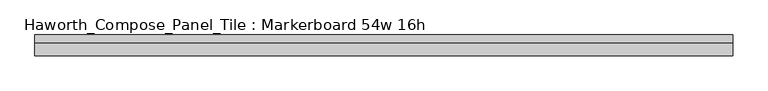
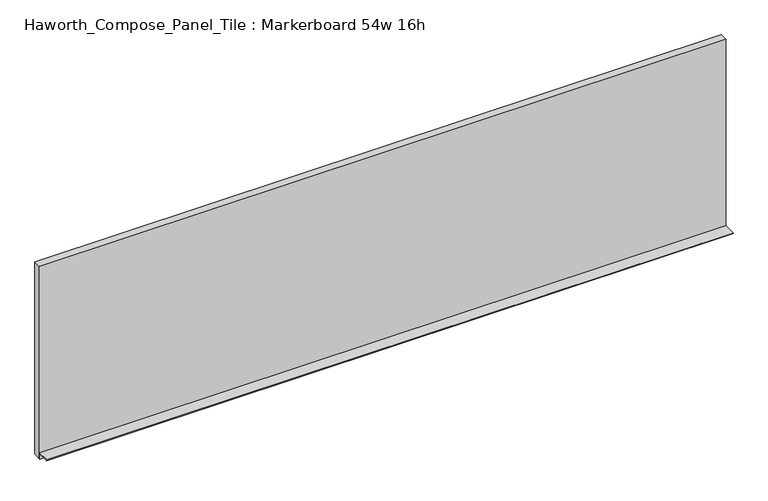
"""IFC4 building model written with IfcOpenShell, lengths in millimetres: furniture geometry, Haworth_Compose_Panel_Tile : Markerboard 54w 16h."""

from ifc_helpers import new_model, si_unit, frame, origin, place, context, project, spatial, polyline, outline, extrude, source, transform, mapped, element, save


def haworth_compose_panel_tile_markerboard_54w_16h_44c7ca75(model_context):
    return source(origin(), model_context, "Body", "SweptSolid", [
        extrude(outline(polyline([(688.2402902, -28.8968594), (-683.3597098, -28.8968594), (-683.3597098, -13.0218594), (688.2402902, -13.0218594), (688.2402902, -28.8968594)])), frame((0.0, 0.0, 1066.8), z_axis=(0.0, 0.0, 1.0), x_axis=(1.0, 0.0, 0.0)), (0.0, 0.0, 1.0), 406.4),
        extrude(outline(polyline([(-28.8968594, 1079.5), (-28.8968594, 1066.8), (-30.4843594, 1066.8), (-30.4843594, 1077.9125), (-54.2968594, 1077.9125), (-54.2968594, 1079.5), (-28.8968594, 1079.5)])), frame((-683.3597098, 0.0, 0.0), z_axis=(1.0, 0.0, 0.0), x_axis=(0.0, 1.0, 0.0)), (0.0, 0.0, 1.0), 1371.6),
    ])


if __name__ == "__main__":
    model = new_model("IFC4")
    model_context = context("Model", 3, world=origin())
    ifc_project = project(units=[si_unit("LENGTHUNIT", "METRE", prefix="MILLI")], contexts=[model_context])
    site = spatial("IfcSite", under=ifc_project)
    building = spatial("IfcBuilding", under=site)
    placement = place(None, origin())
    haworth_compose_panel_tile_markerboard_54w_16h_shape = haworth_compose_panel_tile_markerboard_54w_16h_44c7ca75(model_context)
    element("IfcFurniture", 1, ObjectType="Haworth_Compose_Panel_Tile : Markerboard 54w 16h", at=placement, inside=building, context=model_context, shape_type="MappedRepresentation", body=[
        mapped(haworth_compose_panel_tile_markerboard_54w_16h_shape, transform((0.0, 0.0, 0.0), x_axis=(1.0, 0.0, 0.0), y_axis=(0.0, 1.0, 0.0), z_axis=(0.0, 0.0, 1.0))),
    ])
    save(model, "model.ifc")
